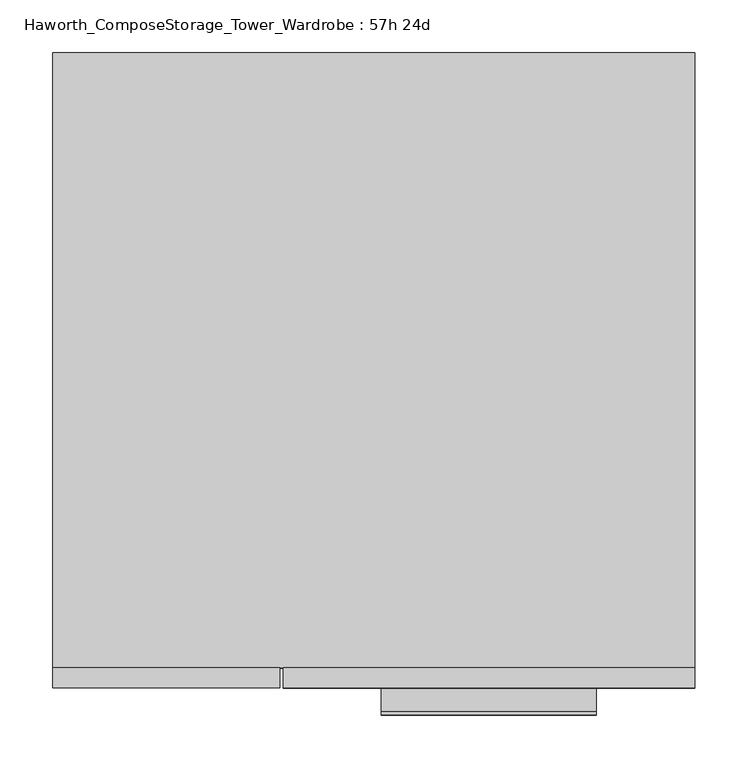
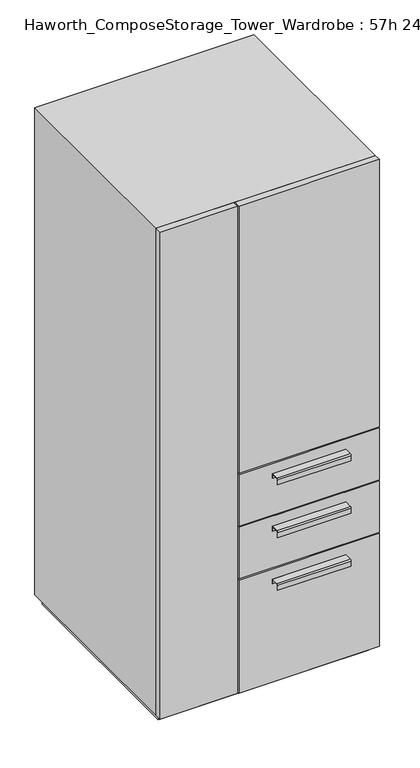
"""IFC4 building model written with IfcOpenShell, lengths in millimetres: furniture geometry, Haworth_ComposeStorage_Tower_Wardrobe : 57h 24d."""

from ifc_helpers import new_model, si_unit, point, frame, frame_2d, origin, origin_with_axes, place, context, project, spatial, polyline, circle_curve, trimmed, segment, composite_curve, outline, extrude, faceted_brep, source, transform, mapped, element, save


def haworth_composestorage_tower_wardrobe_57h_24d_66a80e3b(model_context):
    return source(origin(), model_context, "Body", "SolidModel", [
        extrude(outline(composite_curve([segment(polyline([(-331.7875242, 633.9919215), (-309.5625, 633.9919215), (-309.5625, 620.5299525), (-310.3562742, 620.5299525), (-310.3562742, 633.1982199), (-331.7875242, 633.1982199)]), True, "CONTINUOUS"), segment(trimmed(circle_curve(frame_2d((-331.7875242, 630.8142808)), 2.3839392), [point((-331.7875242, 633.1982199))], [point((-334.1714634, 630.8142808))], True, "CARTESIAN"), True, "CONTINUOUS"), segment(polyline([(-334.1714634, 630.8142808), (-334.1714634, 616.2119021), (-334.9624758, 616.2119021), (-334.9624758, 630.8169699)]), True, "CONTINUOUS"), segment(trimmed(circle_curve(frame_2d((-331.7875242, 630.8169699)), 3.1749516), [point((-334.9624758, 630.8169699))], [point((-331.7875242, 633.9919215))], False, "CARTESIAN"), True, "CONTINUOUS")], self_intersect=False)), frame((7.1576406, 0.0, 0.0), z_axis=(1.0, 0.0, 0.0), x_axis=(0.0, 1.0, 0.0)), (0.0, 0.0, 1.0), 203.2),
        extrude(outline(polyline([(303.2263906, -290.5125), (303.2263906, -309.5625), (-85.7111094, -309.5625), (-85.7111094, -290.5125), (303.2263906, -290.5125)])), frame((0.0, 0.0, 512.7625), z_axis=(0.0, 0.0, 1.0), x_axis=(1.0, 0.0, 0.0)), (0.0, 0.0, 1.0), 150.8125),
        extrude(outline(composite_curve([segment(polyline([(-331.7875242, 480.0044215), (-309.5625, 480.0044215), (-309.5625, 466.5424525), (-310.3562742, 466.5424525), (-310.3562742, 479.2107199), (-331.7875242, 479.2107199)]), True, "CONTINUOUS"), segment(trimmed(circle_curve(frame_2d((-331.7875242, 476.8267808)), 2.3839392), [point((-331.7875242, 479.2107199))], [point((-334.1714634, 476.8267808))], True, "CARTESIAN"), True, "CONTINUOUS"), segment(polyline([(-334.1714634, 476.8267808), (-334.1714634, 462.2244021), (-334.9624758, 462.2244021), (-334.9624758, 476.8294699)]), True, "CONTINUOUS"), segment(trimmed(circle_curve(frame_2d((-331.7875242, 476.8294699)), 3.1749516), [point((-334.9624758, 476.8294699))], [point((-331.7875242, 480.0044215))], False, "CARTESIAN"), True, "CONTINUOUS")], self_intersect=False)), frame((7.1576406, 0.0, 0.0), z_axis=(1.0, 0.0, 0.0), x_axis=(0.0, 1.0, 0.0)), (0.0, 0.0, 1.0), 203.2),
        extrude(outline(polyline([(303.2263906, -290.5125), (303.2263906, -309.5625), (-85.7111094, -309.5625), (-85.7111094, -290.5125), (303.2263906, -290.5125)])), frame((0.0, 0.0, 358.775), z_axis=(0.0, 0.0, 1.0), x_axis=(1.0, 0.0, 0.0)), (0.0, 0.0, 1.0), 150.8125),
        extrude(outline(composite_curve([segment(polyline([(-331.7875242, 326.0169215), (-309.5625, 326.0169215), (-309.5625, 312.5549525), (-310.3562742, 312.5549525), (-310.3562742, 325.2232199), (-331.7875242, 325.2232199)]), True, "CONTINUOUS"), segment(trimmed(circle_curve(frame_2d((-331.7875242, 322.8392808)), 2.3839392), [point((-331.7875242, 325.2232199))], [point((-334.1714634, 322.8392808))], True, "CARTESIAN"), True, "CONTINUOUS"), segment(polyline([(-334.1714634, 322.8392808), (-334.1714634, 308.2369021), (-334.9624758, 308.2369021), (-334.9624758, 322.8419699)]), True, "CONTINUOUS"), segment(trimmed(circle_curve(frame_2d((-331.7875242, 322.8419699)), 3.1749516), [point((-334.9624758, 322.8419699))], [point((-331.7875242, 326.0169215))], False, "CARTESIAN"), True, "CONTINUOUS")], self_intersect=False)), frame((7.1576406, 0.0, 0.0), z_axis=(1.0, 0.0, 0.0), x_axis=(0.0, 1.0, 0.0)), (0.0, 0.0, 1.0), 203.2),
        extrude(outline(polyline([(303.2263906, -290.5125), (303.2263906, -309.5625), (-85.7111094, -309.5625), (-85.7111094, -290.5125), (303.2263906, -290.5125)])), frame((0.0, 0.0, 25.4), z_axis=(0.0, 0.0, 1.0), x_axis=(1.0, 0.0, 0.0)), (0.0, 0.0, 1.0), 330.2),
        extrude(outline(polyline([(303.2263906, -290.5125), (303.2263906, -309.5625), (-85.7111094, -309.5625), (-85.7111094, -290.5125), (303.2263906, -290.5125)])), frame((0.0, 0.0, 666.75), z_axis=(0.0, 0.0, 1.0), x_axis=(1.0, 0.0, 0.0)), (0.0, 0.0, 1.0), 781.05),
        extrude(outline(polyline([(-303.1986094, -309.5625), (-303.1986094, -290.5125), (-88.8861094, -290.5125), (-88.8861094, -309.5625), (-303.1986094, -309.5625)])), frame((0.0, 0.0, 25.4), z_axis=(0.0, 0.0, 1.0), x_axis=(1.0, 0.0, 0.0)), (0.0, 0.0, 1.0), 1422.4),
        faceted_brep([(-303.1986094, -290.5125, 25.4), (303.2263906, -290.5125, 25.4), (303.2263906, -290.5125, 1447.8), (-303.1986094, -290.5125, 1447.8), (-284.1486094, -290.5125, 44.45), (-284.1486094, -290.5125, 1428.75), (284.1694453, -290.5125, 1428.75), (284.1694453, -290.5125, 44.45), (-303.1986094, 290.5125, 25.4), (-303.1986094, 290.5125, 1447.8), (303.2263906, 290.5125, 1447.8), (303.2263906, 290.5125, 25.4), (-284.1486094, 271.4625, 44.45), (-284.1486094, 271.4625, 1428.75), (284.1694453, 271.4625, 1428.75), (284.1694453, 271.4625, 44.45)], [[[0, 1, 2, 3], [4, 5, 6, 7]], [[8, 9, 10, 11]], [[1, 0, 8, 11]], [[2, 1, 11, 10]], [[3, 2, 10, 9]], [[0, 3, 9, 8]], [[5, 4, 12, 13]], [[6, 5, 13, 14]], [[7, 6, 14, 15]], [[4, 7, 15, 12]], [[13, 12, 15, 14]]]),
        extrude(outline(polyline([(290.5263906, -277.8125), (-290.4986094, -277.8125), (-290.4986094, 277.8125), (290.5263906, 277.8125), (290.5263906, -277.8125)])), origin_with_axes(), (0.0, 0.0, 1.0), 25.4),
    ])


if __name__ == "__main__":
    model = new_model("IFC4")
    model_context = context("Model", 3, world=origin())
    ifc_project = project(units=[si_unit("LENGTHUNIT", "METRE", prefix="MILLI")], contexts=[model_context])
    site = spatial("IfcSite", under=ifc_project)
    building = spatial("IfcBuilding", under=site)
    placement = place(None, origin())
    haworth_composestorage_tower_wardrobe_57h_24d_shape = haworth_composestorage_tower_wardrobe_57h_24d_66a80e3b(model_context)
    element("IfcFurniture", 1, ObjectType="Haworth_ComposeStorage_Tower_Wardrobe : 57h 24d", at=placement, inside=building, context=model_context, shape_type="MappedRepresentation", body=[
        mapped(haworth_composestorage_tower_wardrobe_57h_24d_shape, transform((0.0, 0.0, 0.0), x_axis=(1.0, 0.0, 0.0), y_axis=(0.0, 1.0, 0.0), z_axis=(0.0, 0.0, 1.0))),
    ])
    save(model, "model.ifc")
